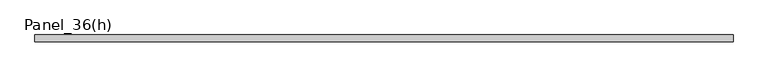
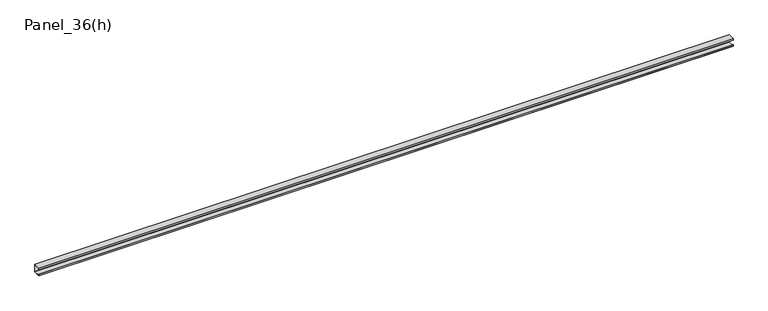
"""IFC4 building model written with IfcOpenShell, lengths in millimetres: plate geometry, Panel_36(h)."""

from ifc_helpers import new_model, si_unit, frame, origin, place, context, project, spatial, polyline, outline, extrude, source, transform, mapped, element, save


def panel_36_h_0015e5f5(model_context):
    return source(origin(), model_context, "Body", "SweptSolid", [
        extrude(outline(polyline([(1780.0000002, 36.0), (1780.0000002, 35.2), (-1780.0000002, 35.2), (-1780.0000002, 36.0), (1780.0000002, 36.0)])), frame((0.0, 0.0, 3.0), z_axis=(0.0, 0.0, 1.0), x_axis=(1.0, 0.0, 0.0)), (0.0, 0.0, 1.0), 34.0),
        extrude(outline(polyline([(0.0, 40.0), (36.0, 40.0), (36.0, 37.0), (35.2, 37.0), (35.2, 39.2), (0.8, 39.2), (0.8, 32.0), (0.0, 32.0), (0.0, 40.0)])), frame((-1780.0000002, 0.0, 0.0), z_axis=(1.0, 0.0, 0.0), x_axis=(0.0, 1.0, 0.0)), (0.0, 0.0, 1.0), 3560.0000003),
        extrude(outline(polyline([(0.0, 0.0), (0.0, 8.0), (0.8, 8.0), (0.8, 0.8), (35.2, 0.8), (35.2, 3.0), (36.0, 3.0), (36.0, 0.0), (0.0, 0.0)])), frame((-1780.0000002, 0.0, 0.0), z_axis=(1.0, 0.0, 0.0), x_axis=(0.0, 1.0, 0.0)), (0.0, 0.0, 1.0), 3560.0000003),
    ])


if __name__ == "__main__":
    model = new_model("IFC4")
    model_context = context("Model", 3, world=origin())
    ifc_project = project(units=[si_unit("LENGTHUNIT", "METRE", prefix="MILLI")], contexts=[model_context])
    site = spatial("IfcSite", under=ifc_project)
    building = spatial("IfcBuilding", under=site)
    placement = place(None, origin())
    panel_36_h_shape = panel_36_h_0015e5f5(model_context)
    element("IfcPlate", 1, ObjectType="Panel_36(h)", at=placement, inside=building, context=model_context, shape_type="MappedRepresentation", body=[
        mapped(panel_36_h_shape, transform((0.0, 0.0, 0.0), x_axis=(1.0, 0.0, 0.0), y_axis=(0.0, 1.0, 0.0), z_axis=(0.0, 0.0, 1.0))),
    ])
    save(model, "model.ifc")
